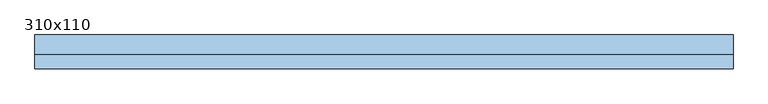
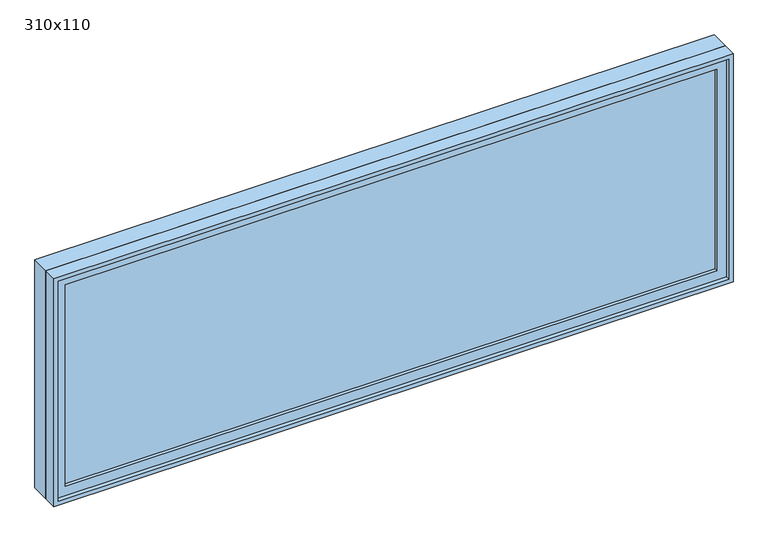
"""IFC4 building model written with IfcOpenShell, lengths in millimetres: window geometry, 310x110."""

import ifcopenshell
import ifcopenshell.guid

model = None  # the IFC model being written
_history = None  # IfcOwnerHistory: only IFC2X3 demands one
_inside = {}  # id of a spatial element -> (the spatial element, [elements in it])
_under = {}  # id of a project, library or spatial element -> (it, [spatial elements below it])
_declared = {}  # id of a project -> (the project, [libraries it declares])
_typed = {}  # id of a type object -> (the type object, [elements of that type])
_made_of = {}  # id of a material, layer set ... -> (it, [elements and type objects made of it])


def new_model(schema):
    """Start an empty IFC model of exactly this schema.

    Asked for "IFC4X3", IfcOpenShell would pick the latest addendum, in which some entities
    have other attributes; the version numbers below select the first issue.
    IFC2X3 requires an IfcOwnerHistory on every rooted entity: one is made here for all.
    """
    global model, _history
    if schema == "IFC4X3":
        model = ifcopenshell.file(schema_version=(4, 3, 0, 0))
    else:
        model = ifcopenshell.file(schema=schema)
    _inside.clear()
    _under.clear()
    _declared.clear()
    _typed.clear()
    _made_of.clear()
    _history = None
    if model.schema == "IFC2X3":
        org = make("IfcOrganization", Name="unknown")
        user = make(
            "IfcPersonAndOrganization",
            ThePerson=make("IfcPerson", FamilyName="unknown"),
            TheOrganization=org,
        )
        app = make(
            "IfcApplication",
            ApplicationDeveloper=org,
            Version="unknown",
            ApplicationFullName="unknown",
            ApplicationIdentifier="unknown",
        )
        _history = make(
            "IfcOwnerHistory",
            OwningUser=user,
            OwningApplication=app,
            ChangeAction="ADDED",
            CreationDate=0,
        )
    return model


def make(cls, **values):
    """One entity of the class cls with the attributes given. An attribute that is None is left unset."""
    return model.create_entity(
        cls, **{name: value for name, value in values.items() if value is not None}
    )


def rooted(cls, **values):
    """An entity with a GlobalId (a new one), such as an element, a storey or a relation."""
    return make(cls, GlobalId=ifcopenshell.guid.new(), OwnerHistory=_history, **values)


def si_unit(unit_type, name, prefix=None):
    """IfcSIUnit, for example si_unit("LENGTHUNIT", "METRE", prefix="MILLI")."""
    return make("IfcSIUnit", UnitType=unit_type, Prefix=prefix, Name=name)


def assignment(units):
    """IfcUnitAssignment: the units of a project."""
    return None if units is None else make("IfcUnitAssignment", Units=units)


def point(xyz):
    """IfcCartesianPoint."""
    return None if xyz is None else make("IfcCartesianPoint", Coordinates=xyz)


def direction(xyz):
    """IfcDirection."""
    return None if xyz is None else make("IfcDirection", DirectionRatios=xyz)


def frame(location, z_axis=None, x_axis=None):
    """IfcAxis2Placement3D, a coordinate frame: its origin and axes. An axis left out is left unset."""
    return make(
        "IfcAxis2Placement3D",
        Location=point(location),
        Axis=direction(z_axis),
        RefDirection=direction(x_axis),
    )


def origin():
    """The frame at (0, 0, 0) with its axes left unset."""
    return frame((0.0, 0.0, 0.0))


def place(relative_to, where):
    """IfcLocalPlacement: puts the frame where relative to a parent placement (None: the world)."""
    return make(
        "IfcLocalPlacement", PlacementRelTo=relative_to, RelativePlacement=where
    )


def context(
    kind, dimensions, precision=None, world=None, true_north=None, identifier=None
):
    """IfcGeometricRepresentationContext, for example the 3D "Model" context."""
    return make(
        "IfcGeometricRepresentationContext",
        ContextIdentifier=identifier,
        ContextType=kind,
        CoordinateSpaceDimension=dimensions,
        Precision=precision,
        WorldCoordinateSystem=world,
        TrueNorth=true_north,
    )


def project(units=None, contexts=None):
    """IfcProject with its units and contexts."""
    return rooted(
        "IfcProject",
        Name="project",
        RepresentationContexts=contexts,
        UnitsInContext=assignment(units),
    )


def spatial(cls, under=None, at=None, **own):
    """A site, building, storey or space (cls), placed at a placement, below another one or the project."""
    s = rooted(cls, ObjectPlacement=at, **own)
    if under is not None:
        _under.setdefault(under.id(), (under, []))[1].append(s)
    return s


def polyline(points):
    """IfcPolyline through the points."""
    return make("IfcPolyline", Points=[point(p) for p in points])


def outline(outer, holes=None, kind="AREA"):
    """IfcArbitraryClosedProfileDef: a profile drawn as a closed curve; with holes, ...WithVoids."""
    if holes is None:
        return make("IfcArbitraryClosedProfileDef", ProfileType=kind, OuterCurve=outer)
    return make(
        "IfcArbitraryProfileDefWithVoids",
        ProfileType=kind,
        OuterCurve=outer,
        InnerCurves=holes,
    )


def extrude(swept, where, along, depth):
    """IfcExtrudedAreaSolid: the profile swept, set in the frame where, extruded along a direction by depth."""
    return make(
        "IfcExtrudedAreaSolid",
        SweptArea=swept,
        Position=where,
        ExtrudedDirection=direction(along),
        Depth=depth,
    )


def shape(context_of_items, identifier, shape_type, items):
    """IfcShapeRepresentation: the items that make up one representation, for example the "Body"."""
    return make(
        "IfcShapeRepresentation",
        ContextOfItems=context_of_items,
        RepresentationIdentifier=identifier,
        RepresentationType=shape_type,
        Items=items,
    )


def source(mapping_origin, context_of_items, identifier, shape_type, items):
    """IfcRepresentationMap: a shape defined once, which mapped items show again and again."""
    return make(
        "IfcRepresentationMap",
        MappingOrigin=mapping_origin,
        MappedRepresentation=shape(context_of_items, identifier, shape_type, items),
    )


def transform(
    local_origin,
    x_axis=None,
    y_axis=None,
    z_axis=None,
    scale=None,
    scale2=None,
    scale3=None,
    uniform=True,
):
    """IfcCartesianTransformationOperator3D, or its non-uniform kind. x_axis, y_axis, z_axis: its Axis1, 2, 3."""
    if uniform:
        return make(
            "IfcCartesianTransformationOperator3D",
            Axis1=direction(x_axis),
            Axis2=direction(y_axis),
            LocalOrigin=point(local_origin),
            Scale=scale,
            Axis3=direction(z_axis),
        )
    return make(
        "IfcCartesianTransformationOperator3DnonUniform",
        Axis1=direction(x_axis),
        Axis2=direction(y_axis),
        LocalOrigin=point(local_origin),
        Scale=scale,
        Axis3=direction(z_axis),
        Scale2=scale2,
        Scale3=scale3,
    )


def mapped(mapping_source, mapping_target):
    """IfcMappedItem: shows the shape of a source again, moved by a transform."""
    return make(
        "IfcMappedItem", MappingSource=mapping_source, MappingTarget=mapping_target
    )


def made_of(thing, what):
    """Note that an element or type object is made of a material, layer set ...; save() writes the relation."""
    if what is not None:
        _made_of.setdefault(what.id(), (what, []))[1].append(thing)
    return thing


def element(
    cls,
    number,
    at=None,
    inside=None,
    cuts=None,
    type_object=None,
    material=None,
    context=None,
    identifier="Body",
    shape_type=None,
    held_by="IfcProductDefinitionShape",
    body=None,
    shapes=None,
    **own,
):
    """One element of the class cls, such as IfcWall. Its Tag is "e" and its number.

    at: its placement. inside: the storey or other place that contains it. cuts: it is an
    opening in that element (IfcRelVoidsElement). A single representation is given by context,
    identifier, shape_type and body (its items); several are given by shapes. held_by: the class
    of the entity that holds the representations. save() writes the other relations.
    """
    e = rooted(cls, Tag="e%d" % number, ObjectPlacement=at, **own)
    if body is not None:
        shapes = [shape(context, identifier, shape_type, body)]
    if shapes is not None:
        e.Representation = make(held_by, Representations=shapes)
    if inside is not None:
        _inside.setdefault(inside.id(), (inside, []))[1].append(e)
    if cuts is not None:
        rooted(
            "IfcRelVoidsElement", RelatingBuildingElement=cuts, RelatedOpeningElement=e
        )
    if type_object is not None:
        _typed.setdefault(type_object.id(), (type_object, []))[1].append(e)
    return made_of(e, material)


def aggregate(whole, parts):
    """IfcRelAggregates: a whole, such as a stair, and the parts it consists of."""
    return rooted("IfcRelAggregates", RelatingObject=whole, RelatedObjects=parts)


def save(model, path):
    """Write the relations noted so far, then the file.

    IfcRelAggregates (storeys below a building ...), IfcRelContainedInSpatialStructure (elements
    in a storey), IfcRelDefinesByType, IfcRelAssociatesMaterial and IfcRelDeclares: one each for
    every whole, place, type object, material and project.
    """
    for whole, parts in _under.values():
        aggregate(whole, parts)
    for where, things in _inside.values():
        rooted(
            "IfcRelContainedInSpatialStructure",
            RelatedElements=things,
            RelatingStructure=where,
        )
    for kind, things in _typed.values():
        rooted("IfcRelDefinesByType", RelatedObjects=things, RelatingType=kind)
    for what, things in _made_of.values():
        rooted("IfcRelAssociatesMaterial", RelatedObjects=things, RelatingMaterial=what)
    for by, libraries in _declared.values():
        rooted("IfcRelDeclares", RelatingContext=by, RelatedDefinitions=libraries)
    model.write(path)


def window_310x110_5d534687(model_context):
    return source(origin(), model_context, "Body", "SweptSolid", [
        extrude(outline(polyline([(1448.4, -27.375), (1448.4, -40.075), (-1524.6, -40.075), (-1524.6, -27.375), (1448.4, -27.375)])), frame((0.0, 0.0, 977.9), z_axis=(0.0, 0.0, 1.0), x_axis=(1.0, 0.0, 0.0)), (0.0, 0.0, 1.0), 973.0),
        extrude(outline(polyline([(1995.35, -1569.05), (933.45, -1569.05), (933.45, 1492.85), (1995.35, 1492.85), (1995.35, -1569.05)]), holes=[polyline([(1950.9, -1524.6), (1950.9, 1448.4), (977.9, 1448.4), (977.9, -1524.6), (1950.9, -1524.6)])]), frame((0.0, -55.95, 0.0), z_axis=(0.0, 1.0, 0.0), x_axis=(0.0, 0.0, 1.0)), (0.0, 0.0, 1.0), 44.45),
        extrude(outline(polyline([(2014.4, -1588.1), (914.4, -1588.1), (914.4, 1511.9), (2014.4, 1511.9), (2014.4, -1588.1)]), holes=[polyline([(1982.65, -1556.35), (1982.65, 1480.15), (946.15, 1480.15), (946.15, -1556.35), (1982.65, -1556.35)])]), frame((0.0, -11.5, 0.0), z_axis=(0.0, 1.0, 0.0), x_axis=(0.0, 0.0, 1.0)), (0.0, 0.0, 1.0), 86.5),
        extrude(outline(polyline([(2014.4, 1511.9), (2014.4, -1588.1), (914.4, -1588.1), (914.4, 1511.9), (2014.4, 1511.9)]), holes=[polyline([(1995.35, 1492.85), (933.45, 1492.85), (933.45, -1569.05), (1995.35, -1569.05), (1995.35, 1492.85)])]), frame((0.0, -75.0, 0.0), z_axis=(0.0, 1.0, 0.0), x_axis=(0.0, 0.0, 1.0)), (0.0, 0.0, 1.0), 63.5),
    ])


if __name__ == "__main__":
    model = new_model("IFC4")
    model_context = context("Model", 3, world=origin())
    ifc_project = project(units=[si_unit("LENGTHUNIT", "METRE", prefix="MILLI")], contexts=[model_context])
    site = spatial("IfcSite", under=ifc_project)
    building = spatial("IfcBuilding", under=site)
    placement = place(None, origin())
    window_310x110_shape = window_310x110_5d534687(model_context)
    element("IfcWindow", 1, ObjectType="310x110", at=placement, inside=building, context=model_context, shape_type="MappedRepresentation", body=[
        mapped(window_310x110_shape, transform((0.0, 0.0, 0.0), x_axis=(1.0, 0.0, 0.0), y_axis=(0.0, 1.0, 0.0), z_axis=(0.0, 0.0, 1.0))),
    ])
    save(model, "model.ifc")
